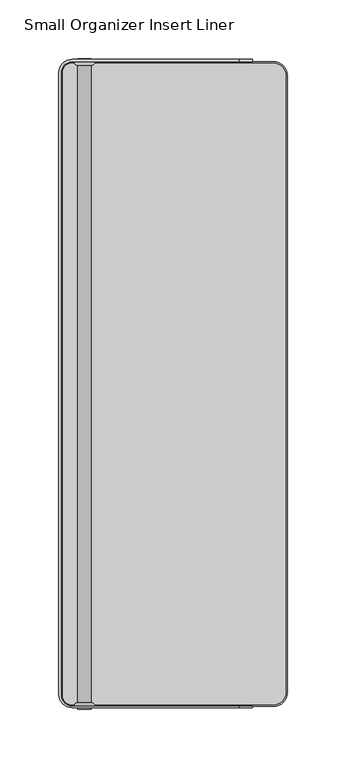
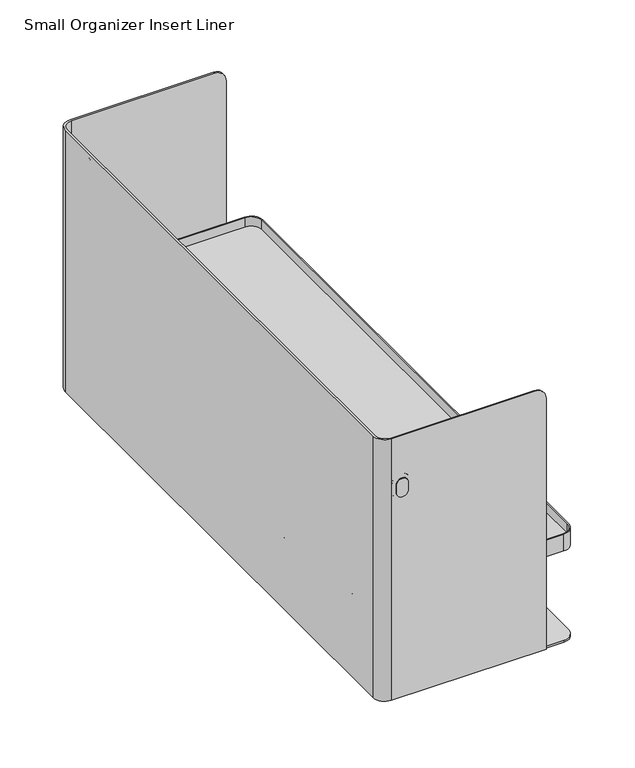
"""IFC4 building model written with IfcOpenShell, lengths in millimetres: furniture geometry, Small Organizer Insert Liner."""

from ifc_helpers import new_model, si_unit, point, frame, frame_2d, origin, place, context, project, spatial, polyline, circle_curve, ellipse_curve, trimmed, segment, composite_curve, outline, extrude, source, transform, mapped, element, save
from ifc_brep_helpers import plane_surface, cylinder_surface, revolved_surface, advanced_brep


def small_organizer_insert_liner_3b92bf25(model_context):
    return source(origin(), model_context, "Body", "SolidModel", [
        extrude(outline(polyline([(123.2284967, 821.563), (123.2284967, 796.163), (97.8284967, 796.163), (97.8284967, 821.563), (123.2284967, 821.563)]), holes=[composite_curve([segment(trimmed(circle_curve(frame_2d((110.5284967, 808.801192)), 6.35), [point((104.1784967, 808.801192))], [point((116.8784967, 808.801192))], True, "CARTESIAN"), True, "CONTINUOUS"), segment(trimmed(circle_curve(frame_2d((110.5284967, 808.801192)), 6.35), [point((116.8784967, 808.801192))], [point((104.1784967, 808.801192))], True, "CARTESIAN"), True, "CONTINUOUS")], self_intersect=False)]), frame((69.0558844, 0.0, 0.0), z_axis=(1.0, 0.0, 0.0), x_axis=(0.0, 1.0, 0.0)), (0.0, 0.0, 1.0), 2.3082416),
        extrude(outline(composite_curve([segment(polyline([(250.2340844, -51.8041786), (78.5808844, -51.8041786)]), True, "CONTINUOUS"), segment(trimmed(circle_curve(frame_2d((78.5808844, -42.2791786)), 9.525), [point((78.5808844, -51.8041786))], [point((69.0558844, -42.2791786))], False, "CARTESIAN"), True, "CONTINUOUS"), segment(polyline([(69.0558844, -42.2791786), (69.0558844, 487.0568214)]), True, "CONTINUOUS"), segment(trimmed(circle_curve(frame_2d((78.5808844, 487.0568214)), 9.525), [point((69.0558844, 487.0568214))], [point((78.5808844, 496.5818214))], False, "CARTESIAN"), True, "CONTINUOUS"), segment(polyline([(78.5808844, 496.5818214), (250.2340844, 496.5818214)]), True, "CONTINUOUS"), segment(trimmed(circle_curve(frame_2d((250.2340844, 485.0248214)), 11.557), [point((250.2340844, 496.5818214))], [point((261.7910844, 485.0248214))], False, "CARTESIAN"), True, "CONTINUOUS"), segment(polyline([(261.7910844, 485.0248214), (261.7910844, -40.2471786)]), True, "CONTINUOUS"), segment(trimmed(circle_curve(frame_2d((250.2340844, -40.2471786)), 11.557), [point((261.7910844, -40.2471786))], [point((250.2340844, -51.8041786))], False, "CARTESIAN"), True, "CONTINUOUS")], self_intersect=False), holes=[composite_curve([segment(polyline([(70.2286266, 487.0568214), (70.2286266, -42.2791786)]), True, "CONTINUOUS"), segment(trimmed(circle_curve(frame_2d((78.5808844, -42.2791786)), 8.3522578), [point((70.2286266, -42.2791786))], [point((78.5808844, -50.6314364))], True, "CARTESIAN"), True, "CONTINUOUS"), segment(polyline([(78.5808844, -50.6314364), (250.2340844, -50.6314364)]), True, "CONTINUOUS"), segment(trimmed(circle_curve(frame_2d((250.2340844, -40.2471786)), 10.3842578), [point((250.2340844, -50.6314364))], [point((260.6183422, -40.2471786))], True, "CARTESIAN"), True, "CONTINUOUS"), segment(polyline([(260.6183422, -40.2471786), (260.6183422, 485.0248214)]), True, "CONTINUOUS"), segment(trimmed(circle_curve(frame_2d((250.2340844, 485.0248214)), 10.3842578), [point((260.6183422, 485.0248214))], [point((250.2340844, 495.4090792))], True, "CARTESIAN"), True, "CONTINUOUS"), segment(polyline([(250.2340844, 495.4090792), (78.5808844, 495.4090792)]), True, "CONTINUOUS"), segment(trimmed(circle_curve(frame_2d((78.5808844, 487.0568214)), 8.3522578), [point((78.5808844, 495.4090792))], [point((70.2286266, 487.0568214))], True, "CARTESIAN"), True, "CONTINUOUS")], self_intersect=False)]), frame((0.0, 0.0, 837.438), z_axis=(0.0, 0.0, 1.0), x_axis=(1.0, 0.0, 0.0)), (0.0, 0.0, 1.0), 17.4752),
        extrude(outline(polyline([(321.549146, 821.563), (346.949146, 821.563), (346.949146, 796.163), (321.549146, 796.163), (321.549146, 821.563)]), holes=[composite_curve([segment(trimmed(circle_curve(frame_2d((334.249146, 808.801192)), 6.35), [point((340.599146, 808.801192))], [point((327.899146, 808.801192))], True, "CARTESIAN"), True, "CONTINUOUS"), segment(trimmed(circle_curve(frame_2d((334.249146, 808.801192)), 6.35), [point((327.899146, 808.801192))], [point((340.599146, 808.801192))], True, "CARTESIAN"), True, "CONTINUOUS")], self_intersect=False)]), frame((69.0558844, 0.0, 0.0), z_axis=(1.0, 0.0, 0.0), x_axis=(0.0, 1.0, 0.0)), (0.0, 0.0, 1.0), 2.3082416),
        extrude(outline(composite_curve([segment(trimmed(circle_curve(frame_2d((440.5248531, 833.7812317)), 3.6567683), [point((440.5248531, 837.438))], [point((444.1816214, 833.7812317))], False, "CARTESIAN"), True, "CONTINUOUS"), segment(polyline([(444.1816214, 833.7812317), (444.1816214, 825.2197683)]), True, "CONTINUOUS"), segment(trimmed(circle_curve(frame_2d((440.5248531, 825.2197683)), 3.6567683), [point((444.1816214, 825.2197683))], [point((440.5248531, 821.563))], False, "CARTESIAN"), True, "CONTINUOUS"), segment(polyline([(440.5248531, 821.563), (4.2527896, 821.563)]), True, "CONTINUOUS"), segment(trimmed(circle_curve(frame_2d((4.2527896, 825.2197683)), 3.6567683), [point((4.2527896, 821.563))], [point((0.5960214, 825.2197683))], False, "CARTESIAN"), True, "CONTINUOUS"), segment(polyline([(0.5960214, 825.2197683), (0.5960214, 833.7812317)]), True, "CONTINUOUS"), segment(trimmed(circle_curve(frame_2d((4.2527896, 833.7812317)), 3.6567683), [point((0.5960214, 833.7812317))], [point((4.2527896, 837.438))], False, "CARTESIAN"), True, "CONTINUOUS"), segment(polyline([(4.2527896, 837.438), (440.5248531, 837.438)]), True, "CONTINUOUS")], self_intersect=False)), frame((69.0558844, 0.0, 0.0), z_axis=(1.0, 0.0, 0.0), x_axis=(0.0, 1.0, 0.0)), (0.0, 0.0, 1.0), 2.3082416),
        extrude(outline(composite_curve([segment(trimmed(circle_curve(frame_2d((217.5735025, 30.9020395)), 3.9839818), [point((217.5735025, 34.8860214))], [point((221.5574844, 30.9020395))], False, "CARTESIAN"), True, "CONTINUOUS"), segment(polyline([(221.5574844, 30.9020395), (221.5574844, 4.5800032)]), True, "CONTINUOUS"), segment(trimmed(circle_curve(frame_2d((217.5735025, 4.5800032)), 3.9839818), [point((221.5574844, 4.5800032))], [point((217.5735025, 0.5960214))], False, "CARTESIAN"), True, "CONTINUOUS"), segment(polyline([(217.5735025, 0.5960214), (111.2414662, 0.5960214)]), True, "CONTINUOUS"), segment(trimmed(circle_curve(frame_2d((111.2414662, 4.5800032)), 3.9839818), [point((111.2414662, 0.5960214))], [point((107.2574844, 4.5800032))], False, "CARTESIAN"), True, "CONTINUOUS"), segment(polyline([(107.2574844, 4.5800032), (107.2574844, 30.9020395)]), True, "CONTINUOUS"), segment(trimmed(circle_curve(frame_2d((111.2414662, 30.9020395)), 3.9839818), [point((107.2574844, 30.9020395))], [point((111.2414662, 34.8860214))], False, "CARTESIAN"), True, "CONTINUOUS"), segment(polyline([(111.2414662, 34.8860214), (217.5735025, 34.8860214)]), True, "CONTINUOUS")], self_intersect=False)), frame((0.0, 0.0, 736.6), z_axis=(0.0, 0.0, 1.0), x_axis=(1.0, 0.0, 0.0)), (0.0, 0.0, 1.0), 5.08),
        extrude(outline(composite_curve([segment(polyline([(217.5735025, 409.8916214), (111.2414662, 409.8916214)]), True, "CONTINUOUS"), segment(trimmed(circle_curve(frame_2d((111.2414662, 413.8756032)), 3.9839818), [point((111.2414662, 409.8916214))], [point((107.2574844, 413.8756032))], False, "CARTESIAN"), True, "CONTINUOUS"), segment(polyline([(107.2574844, 413.8756032), (107.2574844, 440.1976395)]), True, "CONTINUOUS"), segment(trimmed(circle_curve(frame_2d((111.2414662, 440.1976395)), 3.9839818), [point((107.2574844, 440.1976395))], [point((111.2414662, 444.1816214))], False, "CARTESIAN"), True, "CONTINUOUS"), segment(polyline([(111.2414662, 444.1816214), (217.5735025, 444.1816214)]), True, "CONTINUOUS"), segment(trimmed(circle_curve(frame_2d((217.5735025, 440.1976395)), 3.9839818), [point((217.5735025, 444.1816214))], [point((221.5574844, 440.1976395))], False, "CARTESIAN"), True, "CONTINUOUS"), segment(polyline([(221.5574844, 440.1976395), (221.5574844, 413.8756032)]), True, "CONTINUOUS"), segment(trimmed(circle_curve(frame_2d((217.5735025, 413.8756032)), 3.9839818), [point((221.5574844, 413.8756032))], [point((217.5735025, 409.8916214))], False, "CARTESIAN"), True, "CONTINUOUS")], self_intersect=False)), frame((0.0, 0.0, 736.6), z_axis=(0.0, 0.0, 1.0), x_axis=(1.0, 0.0, 0.0)), (0.0, 0.0, 1.0), 5.08),
        extrude(outline(composite_curve([segment(trimmed(circle_curve(frame_2d((250.2340844, -40.2471786)), 11.557), [point((261.7910844, -40.2471786))], [point((250.2340844, -51.8041786))], False, "CARTESIAN"), True, "CONTINUOUS"), segment(polyline([(250.2340844, -51.8041786), (78.5808844, -51.8041786)]), True, "CONTINUOUS"), segment(trimmed(circle_curve(frame_2d((78.5808844, -42.2791786)), 9.525), [point((78.5808844, -51.8041786))], [point((69.0558844, -42.2791786))], False, "CARTESIAN"), True, "CONTINUOUS"), segment(polyline([(69.0558844, -42.2791786), (69.0558844, 487.0568214)]), True, "CONTINUOUS"), segment(trimmed(circle_curve(frame_2d((78.5808844, 487.0568214)), 9.525), [point((69.0558844, 487.0568214))], [point((78.5808844, 496.5818214))], False, "CARTESIAN"), True, "CONTINUOUS"), segment(polyline([(78.5808844, 496.5818214), (250.2340844, 496.5818214)]), True, "CONTINUOUS"), segment(trimmed(circle_curve(frame_2d((250.2340844, 485.0248214)), 11.557), [point((250.2340844, 496.5818214))], [point((261.7910844, 485.0248214))], False, "CARTESIAN"), True, "CONTINUOUS"), segment(polyline([(261.7910844, 485.0248214), (261.7910844, -40.2471786)]), True, "CONTINUOUS")], self_intersect=False)), frame((0.0, 0.0, 741.68), z_axis=(0.0, 0.0, 1.0), x_axis=(1.0, 0.0, 0.0)), (0.0, 0.0, 1.0), 2.032),
        extrude(outline(composite_curve([segment(polyline([(261.0290844, 485.0248214), (261.0290844, -40.2471786)]), True, "CONTINUOUS"), segment(trimmed(circle_curve(frame_2d((250.2340844, -40.2471786)), 10.795), [point((261.0290844, -40.2471786))], [point((250.2340844, -51.0421786))], False, "CARTESIAN"), True, "CONTINUOUS"), segment(polyline([(250.2340844, -51.0421786), (78.5808844, -51.0421786)]), True, "CONTINUOUS"), segment(trimmed(circle_curve(frame_2d((78.5808844, -42.2791786)), 8.763), [point((78.5808844, -51.0421786))], [point((69.8178844, -42.2791786))], False, "CARTESIAN"), True, "CONTINUOUS"), segment(polyline([(69.8178844, -42.2791786), (69.8178844, 487.0568214)]), True, "CONTINUOUS"), segment(trimmed(circle_curve(frame_2d((78.5808844, 487.0568214)), 8.763), [point((69.8178844, 487.0568214))], [point((78.5808844, 495.8198214))], False, "CARTESIAN"), True, "CONTINUOUS"), segment(polyline([(78.5808844, 495.8198214), (250.2340844, 495.8198214)]), True, "CONTINUOUS"), segment(trimmed(circle_curve(frame_2d((250.2340844, 485.0248214)), 10.795), [point((250.2340844, 495.8198214))], [point((261.0290844, 485.0248214))], False, "CARTESIAN"), True, "CONTINUOUS")], self_intersect=False)), frame((0.0, 0.0, 843.56575), z_axis=(0.0, 0.0, 1.0), x_axis=(1.0, 0.0, 0.0)), (0.0, 0.0, 1.0), 2.032),
        advanced_brep(
        [(83.3751344, 493.4947261, 957.99275), (83.3751344, 496.5818214, 957.99275), (80.2880391, 496.5818214, 957.99275), (94.8051344, 496.5818214, 957.99275), (94.8051344, 493.4947261, 957.99275), (97.8922296, 496.5818214, 957.99275), (94.8051344, 496.5818214, 965.86675), (83.3751344, 496.5818214, 965.86675), (80.2880391, 496.5818214, 965.86675), (97.8922296, 496.5818214, 965.86675), (94.8051344, 493.4947261, 965.86675), (83.3751344, 493.4947261, 965.86675)],
        [
            (0, 1),
            (1, 2),
            (2, 0, circle_curve(frame((83.3751344, 496.5818214, 957.99275), z_axis=(0.0, 0.0, 1.0), x_axis=(-1.0, 0.0, 0.0)), 3.0870953)),
            (3, 1, circle_curve(frame((89.0901344, 496.5818214, 957.99275), z_axis=(0.0, 1.0, 0.0), x_axis=(-1.0, 0.0, 0.0)), 5.715)),
            (0, 4, circle_curve(frame((89.0901344, 493.4947261, 957.99275), z_axis=(0.0, -1.0, 0.0), x_axis=(-1.0, 0.0, 0.0)), 5.715)),
            (4, 3),
            (5, 2, circle_curve(frame((89.0901344, 496.5818214, 957.99275), z_axis=(0.0, 1.0, 0.0), x_axis=(-1.0, 0.0, 0.0)), 8.8020953)),
            (3, 6),
            (6, 7, circle_curve(frame((89.0901344, 496.5818214, 965.86675), z_axis=(0.0, -1.0, 0.0), x_axis=(1.0, 0.0, 0.0)), 5.715)),
            (7, 8),
            (8, 9, circle_curve(frame((89.0901344, 496.5818214, 965.86675), z_axis=(0.0, 1.0, 0.0), x_axis=(1.0, 0.0, 0.0)), 8.8020953)),
            (9, 5),
            (5, 4, circle_curve(frame((94.8051344, 496.5818214, 957.99275), z_axis=(0.0, 0.0, -1.0), x_axis=(1.0, 0.0, 0.0)), 3.0870953)),
            (4, 10),
            (10, 6),
            (9, 10, circle_curve(frame((94.8051344, 496.5818214, 965.86675), z_axis=(0.0, 0.0, -1.0), x_axis=(1.0, 0.0, 0.0)), 3.0870953)),
            (11, 8, circle_curve(frame((83.3751344, 496.5818214, 965.86675), z_axis=(0.0, 0.0, -1.0), x_axis=(-1.0, 0.0, 0.0)), 3.0870953)),
            (7, 11),
            (10, 11, circle_curve(frame((89.0901344, 493.4947261, 965.86675), z_axis=(0.0, -1.0, 0.0), x_axis=(1.0, 0.0, 0.0)), 5.715)),
        ],
        [
            plane_surface(frame((83.3751344, 496.5818214, 957.99275), z_axis=(0.0, 0.0, 1.0), x_axis=(0.0, 1.0, 0.0))),
            revolved_surface(polyline([(83.3751344, 493.4947261, 957.99275), (83.3751344, 496.5818214, 957.99275)]), (89.0901344, 496.5818214, 957.99275), (0.0, -1.0, 0.0)),
            plane_surface(frame((89.0901344, 496.5818214, 957.99275), z_axis=(0.0, 1.0, 0.0), x_axis=(-1.0, 0.0, 0.0))),
            revolved_surface(trimmed(ellipse_curve(frame((83.3751344, 496.5818214, 957.99275), z_axis=(0.0, 0.0, 1.0), x_axis=(-1.0, 0.0, 0.0)), 3.0870953, 3.0870953), [point((80.2880391, 496.5818214, 957.99275))], [point((83.3751344, 493.4947261, 957.99275))], True, "CARTESIAN"), (89.0901344, 496.5818214, 957.99275), (0.0, -1.0, 0.0)),
            plane_surface(frame((94.8051344, 493.4947261, 957.99275), z_axis=(-1.0, 0.0, 0.0), x_axis=(0.0, 0.0, 1.0))),
            cylinder_surface(frame((94.8051344, 496.5818214, 957.99275), z_axis=(0.0, 0.0, -1.0), x_axis=(1.0, 0.0, 0.0)), 3.0870953),
            plane_surface(frame((83.3751344, 496.5818214, 965.86675), z_axis=(0.0, 0.0, -1.0), x_axis=(0.0, 1.0, 0.0))),
            revolved_surface(polyline([(94.8051344, 493.4947261, 965.86675), (94.8051344, 496.5818214, 965.86675)]), (89.0901344, 496.5818214, 965.86675), (0.0, -1.0, 0.0)),
            revolved_surface(trimmed(ellipse_curve(frame((94.8051344, 496.5818214, 965.86675), z_axis=(0.0, 0.0, -1.0), x_axis=(1.0, 0.0, 0.0)), 3.0870953, 3.0870953), [point((97.8922296, 496.5818214, 965.86675))], [point((94.8051344, 493.4947261, 965.86675))], True, "CARTESIAN"), (89.0901344, 496.5818214, 965.86675), (0.0, -1.0, 0.0)),
        ],
        [
            (0, [[1, 2, 3]]),
            (1, [[4, -1, 5, 6]]),
            (2, [[7, -2, -4, 8, 9, 10, 11, 12]]),
            (3, [[-5, -3, -7, 13]]),
            (4, [[-6, 14, 15, -8]]),
            (5, [[-13, -12, 16, -14]]),
            (6, [[17, -10, 18]]),
            (7, [[-9, -15, 19, -18]]),
            (8, [[-19, -16, -11, -17]]),
        ],
    ),
        advanced_brep(
        [(80.2878455, -51.8041786, 965.86675), (83.3751344, -48.7168897, 965.86675), (83.3751344, -51.8041786, 965.86675), (94.8051344, -51.8041786, 965.86675), (94.8051344, -48.7168897, 965.86675), (97.8924233, -51.8041786, 965.86675), (94.8051344, -51.8041786, 957.99275), (83.3751344, -51.8041786, 957.99275), (80.2878455, -51.8041786, 957.99275), (97.8924233, -51.8041786, 957.99275), (94.8051344, -48.7168897, 957.99275), (83.3751344, -48.7168897, 957.99275)],
        [
            (0, 1, circle_curve(frame((83.3751344, -51.8041786, 965.86675), z_axis=(0.0, 0.0, -1.0), x_axis=(-1.0, 0.0, 0.0)), 3.0872889)),
            (1, 2),
            (2, 0),
            (3, 2, circle_curve(frame((89.0901344, -51.8041786, 965.86675), z_axis=(0.0, -1.0, 0.0), x_axis=(-1.0, 0.0, 0.0)), 5.715)),
            (1, 4, circle_curve(frame((89.0901344, -48.7168897, 965.86675), z_axis=(0.0, 1.0, 0.0), x_axis=(-1.0, 0.0, 0.0)), 5.715)),
            (4, 3),
            (5, 0, circle_curve(frame((89.0901344, -51.8041786, 965.86675), z_axis=(0.0, -1.0, 0.0), x_axis=(-1.0, 0.0, 0.0)), 8.8022889)),
            (3, 6),
            (6, 7, circle_curve(frame((89.0901344, -51.8041786, 957.99275), z_axis=(0.0, 1.0, 0.0), x_axis=(1.0, 0.0, 0.0)), 5.715)),
            (7, 8),
            (8, 9, circle_curve(frame((89.0901344, -51.8041786, 957.99275), z_axis=(0.0, -1.0, 0.0), x_axis=(1.0, 0.0, 0.0)), 8.8022889)),
            (9, 5),
            (4, 10),
            (10, 6),
            (7, 11),
            (11, 8, circle_curve(frame((83.3751344, -51.8041786, 957.99275), z_axis=(0.0, 0.0, 1.0), x_axis=(-1.0, 0.0, 0.0)), 3.0872889)),
            (10, 11, circle_curve(frame((89.0901344, -48.7168897, 957.99275), z_axis=(0.0, 1.0, 0.0), x_axis=(1.0, 0.0, 0.0)), 5.715)),
            (5, 4, circle_curve(frame((94.8051344, -51.8041786, 965.86675), z_axis=(0.0, 0.0, 1.0), x_axis=(1.0, 0.0, 0.0)), 3.0872889)),
            (9, 10, circle_curve(frame((94.8051344, -51.8041786, 957.99275), z_axis=(0.0, 0.0, 1.0), x_axis=(1.0, 0.0, 0.0)), 3.0872889)),
        ],
        [
            plane_surface(frame((83.3751344, -51.8041786, 965.86675), z_axis=(0.0, 0.0, -1.0), x_axis=(0.0, -1.0, 0.0))),
            revolved_surface(polyline([(83.3751344, -48.7168897, 965.86675), (83.3751344, -51.8041786, 965.86675)]), (89.0901344, -51.8041786, 965.86675), (0.0, 1.0, 0.0)),
            plane_surface(frame((89.0901344, -51.8041786, 965.86675), z_axis=(0.0, -1.0, 0.0), x_axis=(-1.0, 0.0, 0.0))),
            plane_surface(frame((94.8051344, -48.7168897, 965.86675), z_axis=(-1.0, 0.0, 0.0), x_axis=(0.0, 0.0, -1.0))),
            plane_surface(frame((83.3751344, -51.8041786, 957.99275), z_axis=(0.0, 0.0, 1.0), x_axis=(0.0, -1.0, 0.0))),
            revolved_surface(polyline([(94.8051344, -48.7168897, 957.99275), (94.8051344, -51.8041786, 957.99275)]), (89.0901344, -51.8041786, 957.99275), (0.0, 1.0, 0.0)),
            revolved_surface(trimmed(ellipse_curve(frame((83.3751344, -51.8041786, 965.86675), z_axis=(0.0, 0.0, -1.0), x_axis=(-1.0, 0.0, 0.0)), 3.0872889, 3.0872889), [point((80.2878455, -51.8041786, 965.86675))], [point((83.3751344, -48.7168897, 965.86675))], True, "CARTESIAN"), (89.0901344, -51.8041786, 965.86675), (0.0, 1.0, 0.0)),
            cylinder_surface(frame((94.8051344, -51.8041786, 965.86675), z_axis=(0.0, 0.0, 1.0), x_axis=(1.0, 0.0, 0.0)), 3.0872889),
            revolved_surface(trimmed(ellipse_curve(frame((94.8051344, -51.8041786, 957.99275), z_axis=(0.0, 0.0, 1.0), x_axis=(1.0, 0.0, 0.0)), 3.0872889, 3.0872889), [point((97.8924233, -51.8041786, 957.99275))], [point((94.8051344, -48.7168897, 957.99275))], True, "CARTESIAN"), (89.0901344, -51.8041786, 957.99275), (0.0, 1.0, 0.0)),
        ],
        [
            (0, [[1, 2, 3]]),
            (1, [[4, -2, 5, 6]]),
            (2, [[7, -3, -4, 8, 9, 10, 11, 12]]),
            (3, [[-6, 13, 14, -8]]),
            (4, [[-10, 15, 16]]),
            (5, [[-9, -14, 17, -15]]),
            (6, [[-5, -1, -7, 18]]),
            (7, [[-18, -12, 19, -13]]),
            (8, [[-17, -19, -11, -16]]),
        ],
    ),
        extrude(outline(composite_curve([segment(trimmed(circle_curve(frame_2d((965.86675, 89.0901344)), 5.715), [point((965.86675, 94.8051344))], [point((965.86675, 83.3751344))], False, "CARTESIAN"), True, "CONTINUOUS"), segment(polyline([(965.86675, 83.3751344), (957.99275, 83.3751344)]), True, "CONTINUOUS"), segment(trimmed(circle_curve(frame_2d((957.99275, 89.0901344)), 5.715), [point((957.99275, 83.3751344))], [point((957.99275, 94.8051344))], False, "CARTESIAN"), True, "CONTINUOUS"), segment(polyline([(957.99275, 94.8051344), (965.86675, 94.8051344)]), True, "CONTINUOUS")], self_intersect=False)), frame((0.0, -54.2806595, 0.0), z_axis=(0.0, 1.0, 0.0), x_axis=(0.0, 0.0, 1.0)), (0.0, 0.0, 1.0), 0.8889618),
        extrude(outline(composite_curve([segment(trimmed(circle_curve(frame_2d((965.86675, 89.0901344)), 5.715), [point((965.86675, 94.8051344))], [point((965.86675, 83.3751344))], False, "CARTESIAN"), True, "CONTINUOUS"), segment(polyline([(965.86675, 83.3751344), (957.99275, 83.3751344)]), True, "CONTINUOUS"), segment(trimmed(circle_curve(frame_2d((957.99275, 89.0901344)), 5.715), [point((957.99275, 83.3751344))], [point((957.99275, 94.8051344))], False, "CARTESIAN"), True, "CONTINUOUS"), segment(polyline([(957.99275, 94.8051344), (965.86675, 94.8051344)]), True, "CONTINUOUS")], self_intersect=False)), frame((0.0, 498.1693405, 0.0), z_axis=(0.0, 1.0, 0.0), x_axis=(0.0, 0.0, 1.0)), (0.0, 0.0, 1.0), 0.8889618),
        extrude(outline(composite_curve([segment(trimmed(circle_curve(frame_2d((965.86675, 89.0901344)), 5.715), [point((965.86675, 94.8051344))], [point((965.86675, 83.3751344))], False, "CARTESIAN"), True, "CONTINUOUS"), segment(polyline([(965.86675, 83.3751344), (963.96175, 83.3751344), (963.96175, 84.4030979)]), True, "CONTINUOUS"), segment(trimmed(circle_curve(frame_2d((963.1259254, 84.4030979)), 0.8358246), [point((963.96175, 84.4030979))], [point((963.1259254, 85.2389224))], True, "CARTESIAN"), True, "CONTINUOUS"), segment(polyline([(963.1259254, 85.2389224), (960.7335746, 85.2389224)]), True, "CONTINUOUS"), segment(trimmed(circle_curve(frame_2d((960.7335746, 84.4030979)), 0.8358246), [point((960.7335746, 85.2389224))], [point((959.89775, 84.4030979))], True, "CARTESIAN"), True, "CONTINUOUS"), segment(polyline([(959.89775, 84.4030979), (959.89775, 83.3751344), (957.99275, 83.3751344)]), True, "CONTINUOUS"), segment(trimmed(circle_curve(frame_2d((957.99275, 89.0901344)), 5.715), [point((957.99275, 83.3751344))], [point((957.99275, 94.8051344))], False, "CARTESIAN"), True, "CONTINUOUS"), segment(polyline([(957.99275, 94.8051344), (965.86675, 94.8051344)]), True, "CONTINUOUS")], self_intersect=False), holes=[composite_curve([segment(polyline([(964.8722944, 85.2293344), (965.86675, 85.2293344)]), True, "CONTINUOUS"), segment(trimmed(circle_curve(frame_2d((965.86675, 89.0901344)), 3.8608), [point((965.86675, 85.2293344))], [point((965.86675, 92.9509344))], True, "CARTESIAN"), True, "CONTINUOUS"), segment(polyline([(965.86675, 92.9509344), (957.99275, 92.9509344)]), True, "CONTINUOUS"), segment(trimmed(circle_curve(frame_2d((957.99275, 89.0901344)), 3.8608), [point((957.99275, 92.9509344))], [point((957.99275, 85.2293344))], True, "CARTESIAN"), True, "CONTINUOUS"), segment(polyline([(957.99275, 85.2293344), (958.9872056, 85.2293344), (958.9872056, 87.0931224), (964.8722944, 87.0931224), (964.8722944, 85.2293344)]), True, "CONTINUOUS")], self_intersect=False)]), frame((0.0, -51.8041786, 0.0), z_axis=(0.0, 1.0, 0.0), x_axis=(0.0, 0.0, 1.0)), (0.0, 0.0, 1.0), 548.386),
        advanced_brep(
        [(78.5808844, 498.6138214, 1016.0), (67.0238844, 487.0568214, 1016.0), (67.0238844, -41.3902168, 1016.0), (78.5808844, -52.9472168, 1016.0), (220.5668844, -52.9472168, 1016.0), (220.5668844, -51.8041786, 1016.0), (78.5808844, -51.8041786, 1016.0), (69.0558844, -42.2791786, 1016.0), (69.0558844, 487.0568214, 1016.0), (78.5808844, 496.5818214, 1016.0), (220.5668844, 496.5818214, 1016.0), (220.5668844, 498.6138214, 1016.0), (232.1238844, 496.5818214, 741.68), (78.5808844, 496.5818214, 741.68), (69.0558844, 487.0568214, 741.68), (69.0558844, -42.2791786, 741.68), (78.5808844, -51.8041786, 741.68), (232.1238844, -51.8041786, 741.68), (232.1238844, -52.9472168, 741.68), (78.5808844, -52.9472168, 741.68), (67.0238844, -41.3902168, 741.68), (67.0238844, 487.0568214, 741.68), (78.5808844, 498.6138214, 741.68), (232.1238844, 498.6138214, 741.68), (232.1238844, 498.6138214, 1004.443), (232.1238844, 496.5818214, 1004.443), (232.1238844, -52.9472168, 1004.443), (232.1238844, -51.8041786, 1004.443)],
        [
            (0, 1, circle_curve(frame((78.5808844, 487.0568214, 1016.0), z_axis=(0.0, 0.0, 1.0), x_axis=(0.0, 1.0, 0.0)), 11.557)),
            (1, 2),
            (2, 3, circle_curve(frame((78.5808844, -41.3902168, 1016.0), z_axis=(0.0, 0.0, 1.0), x_axis=(0.0, 1.0, 0.0)), 11.557)),
            (3, 4),
            (4, 5),
            (5, 6),
            (6, 7, circle_curve(frame((78.5808844, -42.2791786, 1016.0), z_axis=(0.0, 0.0, -1.0), x_axis=(0.0, 1.0, 0.0)), 9.525)),
            (7, 8),
            (8, 9, circle_curve(frame((78.5808844, 487.0568214, 1016.0), z_axis=(0.0, 0.0, -1.0), x_axis=(0.0, 1.0, 0.0)), 9.525)),
            (9, 10),
            (10, 11),
            (11, 0),
            (12, 13),
            (13, 14, circle_curve(frame((78.5808844, 487.0568214, 741.68), z_axis=(0.0, 0.0, 1.0), x_axis=(0.0, 1.0, 0.0)), 9.525)),
            (14, 15),
            (15, 16, circle_curve(frame((78.5808844, -42.2791786, 741.68), z_axis=(0.0, 0.0, 1.0), x_axis=(0.0, 1.0, 0.0)), 9.525)),
            (16, 17),
            (17, 18),
            (18, 19),
            (19, 20, circle_curve(frame((78.5808844, -41.3902168, 741.68), z_axis=(0.0, 0.0, -1.0), x_axis=(0.0, 1.0, 0.0)), 11.557)),
            (20, 21),
            (21, 22, circle_curve(frame((78.5808844, 487.0568214, 741.68), z_axis=(0.0, 0.0, -1.0), x_axis=(0.0, 1.0, 0.0)), 11.557)),
            (22, 23),
            (23, 12),
            (23, 24),
            (24, 25),
            (25, 12),
            (22, 0),
            (11, 24, circle_curve(frame((220.5668844, 498.6138214, 1004.443), z_axis=(0.0, 1.0, 0.0), x_axis=(-1.0, 0.0, 0.0)), 11.557)),
            (21, 1),
            (20, 2),
            (19, 3),
            (18, 26),
            (26, 4, circle_curve(frame((220.5668844, -52.9472168, 1004.443), z_axis=(0.0, -1.0, 0.0), x_axis=(-1.0, 0.0, 0.0)), 11.557)),
            (17, 27),
            (27, 26),
            (16, 6),
            (5, 27, circle_curve(frame((220.5668844, -51.8041786, 1004.443), z_axis=(0.0, 1.0, 0.0), x_axis=(-1.0, 0.0, 0.0)), 11.557)),
            (15, 7),
            (14, 8),
            (13, 9),
            (25, 10, circle_curve(frame((220.5668844, 496.5818214, 1004.443), z_axis=(0.0, -1.0, 0.0), x_axis=(-1.0, 0.0, 0.0)), 11.557)),
        ],
        [
            plane_surface(frame((232.1238844, 498.6138214, 1016.0), z_axis=(0.0, 0.0, 1.0), x_axis=(0.0, 1.0, 0.0))),
            plane_surface(frame((232.1238844, 498.6138214, 741.68), z_axis=(0.0, 0.0, -1.0), x_axis=(0.0, -1.0, 0.0))),
            plane_surface(frame((232.1238844, 496.5818214, 1016.0), z_axis=(1.0, 0.0, 0.0), x_axis=(0.0, 0.0, -1.0))),
            plane_surface(frame((232.1238844, 498.6138214, 1016.0), z_axis=(0.0, 1.0, 0.0), x_axis=(0.0, 0.0, -1.0))),
            cylinder_surface(frame((78.5808844, 487.0568214, 741.68), z_axis=(0.0, 0.0, 1.0), x_axis=(0.0, 1.0, 0.0)), 11.557),
            plane_surface(frame((67.0238844, 487.0568214, 1016.0), z_axis=(-1.0, 0.0, 0.0), x_axis=(0.0, 0.0, -1.0))),
            cylinder_surface(frame((78.5808844, -41.3902168, 741.68), z_axis=(0.0, 0.0, 1.0), x_axis=(0.0, 1.0, 0.0)), 11.557),
            plane_surface(frame((78.5808844, -52.9472168, 1016.0), z_axis=(0.0, -1.0, 0.0), x_axis=(0.0, 0.0, -1.0))),
            plane_surface(frame((232.1238844, -52.9472168, 1016.0), z_axis=(1.0, 0.0, 0.0), x_axis=(0.0, 0.0, -1.0))),
            plane_surface(frame((232.1238844, -51.8041786, 1016.0), z_axis=(0.0, 1.0, 0.0), x_axis=(0.0, 0.0, -1.0))),
            revolved_surface(polyline([(78.5808844, -32.7541786, 741.68), (78.5808844, -32.7541786, 1016.0)]), (78.5808844, -42.2791786, 741.68), (0.0, 0.0, -1.0)),
            plane_surface(frame((69.0558844, -42.2791786, 1016.0), z_axis=(1.0, 0.0, 0.0), x_axis=(0.0, 0.0, -1.0))),
            revolved_surface(polyline([(78.5808844, 496.58182139999997, 741.68), (78.5808844, 496.58182139999997, 1016.0)]), (78.5808844, 487.0568214, 741.68), (0.0, 0.0, -1.0)),
            plane_surface(frame((78.5808844, 496.5818214, 1016.0), z_axis=(0.0, -1.0, 0.0), x_axis=(0.0, 0.0, -1.0))),
            cylinder_surface(frame((220.5668844, -53.8361786, 1004.443), z_axis=(0.0, -1.0, 0.0), x_axis=(-1.0, 0.0, 0.0)), 11.557),
        ],
        [
            (0, [[1, 2, 3, 4, 5, 6, 7, 8, 9, 10, 11, 12]]),
            (1, [[13, 14, 15, 16, 17, 18, 19, 20, 21, 22, 23, 24]]),
            (2, [[-24, 25, 26, 27]]),
            (3, [[-23, 28, -12, 29, -25]]),
            (4, [[-1, -28, -22, 30]]),
            (5, [[-2, -30, -21, 31]]),
            (6, [[-3, -31, -20, 32]]),
            (7, [[-19, 33, 34, -4, -32]]),
            (8, [[-18, 35, 36, -33]]),
            (9, [[-17, 37, -6, 38, -35]]),
            (10, [[-7, -37, -16, 39]]),
            (11, [[-8, -39, -15, 40]]),
            (12, [[-9, -40, -14, 41]]),
            (13, [[-13, -27, 42, -10, -41]]),
            (14, [[-5, -34, -36, -38]]),
            (14, [[-11, -42, -26, -29]]),
        ],
    ),
        extrude(outline(composite_curve([segment(trimmed(circle_curve(frame_2d((78.5808844, 487.0568214)), 8.763), [point((69.8178844, 487.0568214))], [point((78.5808844, 495.8198214))], False, "CARTESIAN"), True, "CONTINUOUS"), segment(polyline([(78.5808844, 495.8198214), (250.2340844, 495.8198214)]), True, "CONTINUOUS"), segment(trimmed(circle_curve(frame_2d((250.2340844, 485.0248214)), 10.795), [point((250.2340844, 495.8198214))], [point((261.0290844, 485.0248214))], False, "CARTESIAN"), True, "CONTINUOUS"), segment(polyline([(261.0290844, 485.0248214), (261.0290844, -40.2471786)]), True, "CONTINUOUS"), segment(trimmed(circle_curve(frame_2d((250.2340844, -40.2471786)), 10.795), [point((261.0290844, -40.2471786))], [point((250.2340844, -51.0421786))], False, "CARTESIAN"), True, "CONTINUOUS"), segment(polyline([(250.2340844, -51.0421786), (78.5808844, -51.0421786)]), True, "CONTINUOUS"), segment(trimmed(circle_curve(frame_2d((78.5808844, -42.2791786)), 8.763), [point((78.5808844, -51.0421786))], [point((69.8178844, -42.2791786))], False, "CARTESIAN"), True, "CONTINUOUS"), segment(polyline([(69.8178844, -42.2791786), (69.8178844, 487.0568214)]), True, "CONTINUOUS")], self_intersect=False)), frame((0.0, 0.0, 841.53375), z_axis=(0.0, 0.0, 1.0), x_axis=(1.0, 0.0, 0.0)), (0.0, 0.0, 1.0), 2.032),
    ])


if __name__ == "__main__":
    model = new_model("IFC4")
    model_context = context("Model", 3, world=origin())
    ifc_project = project(units=[si_unit("LENGTHUNIT", "METRE", prefix="MILLI")], contexts=[model_context])
    site = spatial("IfcSite", under=ifc_project)
    building = spatial("IfcBuilding", under=site)
    placement = place(None, origin())
    small_organizer_insert_liner_shape = small_organizer_insert_liner_3b92bf25(model_context)
    element("IfcFurniture", 1, ObjectType="Small Organizer Insert Liner", at=placement, inside=building, context=model_context, shape_type="MappedRepresentation", body=[
        mapped(small_organizer_insert_liner_shape, transform((0.0, 0.0, 0.0), x_axis=(1.0, 0.0, 0.0), y_axis=(0.0, 1.0, 0.0), z_axis=(0.0, 0.0, 1.0))),
    ])
    save(model, "model.ifc")
